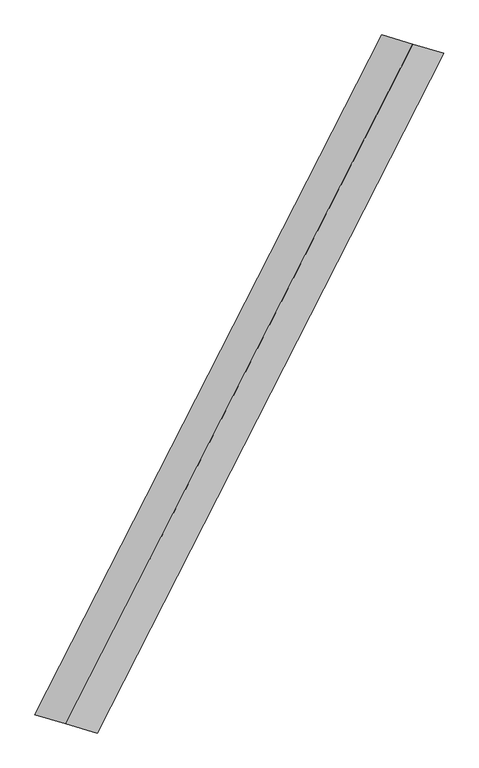
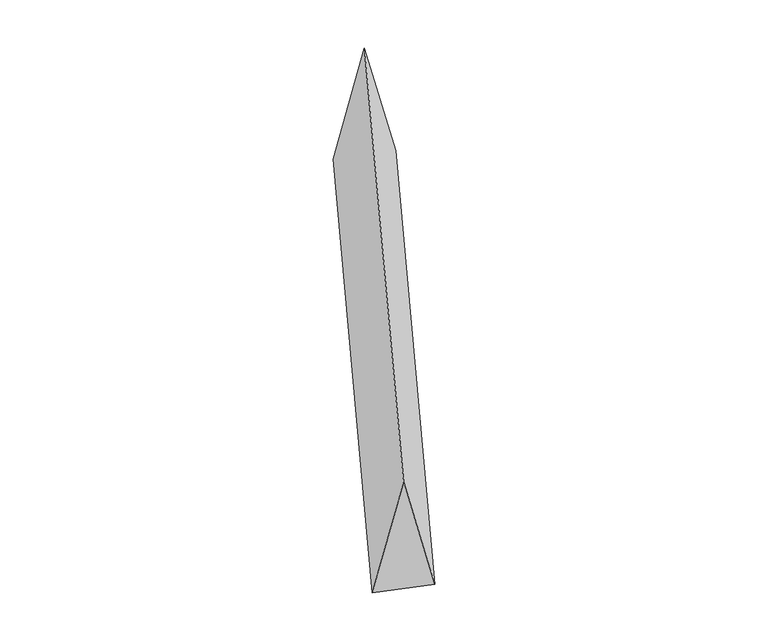
"""IFC4 building model written with IfcOpenShell, lengths in millimetres: proxy geometry."""

from ifc_helpers import new_model, si_unit, origin, place, context, project, spatial, faceted_brep, source, transform, mapped, element, save


def generic_models_ddb84c2a(model_context):
    return source(origin(), model_context, "Body", "Brep", [
        faceted_brep([(-924.6010991, -1812.3576357, 700.0), (-758.9440391, -1861.2703052, 0.0), (1090.258159, 1763.4449662, 0.0), (924.6010991, 1812.3576357, 700.0), (-1090.258159, -1763.4449662, 0.0), (758.9440391, 1861.2703052, 0.0)], [[[0, 1, 2, 3]], [[1, 4, 5, 2]], [[4, 0, 3, 5]], [[3, 2, 5]], [[0, 4, 1]]]),
    ])


if __name__ == "__main__":
    model = new_model("IFC4")
    model_context = context("Model", 3, world=origin())
    ifc_project = project(units=[si_unit("LENGTHUNIT", "METRE", prefix="MILLI")], contexts=[model_context])
    site = spatial("IfcSite", under=ifc_project)
    building = spatial("IfcBuilding", under=site)
    placement = place(None, origin())
    generic_models_shape = generic_models_ddb84c2a(model_context)
    element("IfcBuildingElementProxy", 1, Name="Generic Models", at=placement, inside=building, context=model_context, shape_type="MappedRepresentation", body=[
        mapped(generic_models_shape, transform((0.0, 0.0, 0.0), x_axis=(1.0, 0.0, 0.0), y_axis=(0.0, 1.0, 0.0), z_axis=(0.0, 0.0, 1.0))),
    ])
    save(model, "model.ifc")
